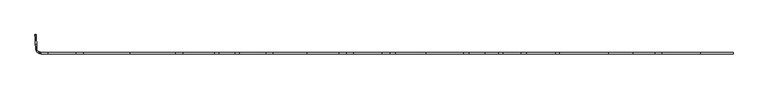
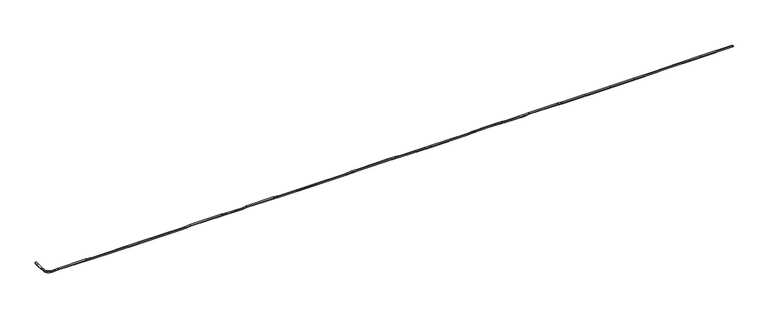
"""IFC4 building model written with IfcOpenShell, lengths in millimetres: wall geometry."""

from ifc_helpers import new_model, si_unit, origin, place, context, project, spatial, faceted_brep, source, transform, mapped, element, save


def wall_aa33760a(model_context):
    return source(origin(), model_context, "Body", "Brep", [
        faceted_brep([(-66707.9819675, -42185.3577501, -2887.3753072), (-66957.6328262, -42198.5465353, -2886.6648918), (-66955.2165918, -42233.6787889, -2689.7895846), (-66705.565733, -42220.4900037, -2690.5), (-66675.3027502, -42809.9689898, -2999.2377922), (-66924.9560993, -42823.1101741, -2998.5188519), (-66923.2300352, -42845.0509211, -2799.2810597), (-66673.576686, -42831.9097368, -2800.0), (-66608.0834928, -44094.7581344, -3054.5733849), (-66857.7426964, -44107.7874207, -3053.8496252), (-66857.6390518, -44098.718199, -2853.2762403), (-66607.9798482, -44085.6889127, -2854.0), (-66576.6245172, -44696.0463955, -2973.9075892), (-66826.2837997, -44709.0741735, -2973.1840318), (-66826.202024, -44699.5869641, -2772.666722), (-66576.5427415, -44686.5591861, -2773.3902794), (-66554.2898176, -45122.9386399, -2990.4991512), (-66801.9946144, -45173.3233019, -2991.2275037), (-66801.2153205, -45177.1680424, -2791.2283525), (-66553.5105237, -45126.7833804, -2790.5), (-66477.7072706, -45333.3474584, -2990.4991512), (-66701.372525, -45449.7802202, -2991.2275037), (-66701.8938301, -45450.0515945, -2791.2283525), (-66478.2285756, -45333.6188327, -2790.5), (-66322.0057478, -45555.7122778, -2990.4991512), (-66495.0033161, -45744.5059947, -2991.2275037), (-66495.406528, -45744.9460233, -2791.2283525), (-66322.4089598, -45556.1523064, -2790.5), (-66104.23732, -45681.4409383, -2990.4991512), (-66200.7333086, -45914.4028627, -2991.2275037), (-66200.9582154, -45914.9458359, -2791.2283525), (-66104.4622268, -45681.9839114, -2790.5), (-65760.2222672, -45773.6194938, -2990.4991512), (-65793.1312923, -46023.6194938, -2991.2275037), (-65795.3826025, -46023.6194938, -2791.2283525), (-65762.4735775, -45773.6194938, -2790.5), (-64404.647495, -45773.6194938, -2960.4971618), (-64404.647495, -46023.6194938, -2960.4971618), (-58676.5278441, -46023.6194938, -2953.1505782), (-57303.6620911, -46023.6194938, -3056.9890681), (-47969.1787566, -46023.6194938, -3070.5000956), (-38877.508149, -46023.6194938, -3064.4947601), (-37455.2588547, -46023.6194938, -2951.4900067), (-31164.9930395, -46023.6194938, -2943.5658344), (-30216.3092074, -46023.6194938, -3031.5644435), (-26967.5696795, -46023.6194938, -3023.7691834), (-26176.0657301, -46023.6194938, -2944.0124242), (-20742.6964563, -46023.6194938, -2940.5045146), (-19372.5057386, -46023.6194938, -3036.434016), (-12608.9916308, -46023.6194938, -3022.4998675), (-6174.2781877, -46023.6194938, -3018.3600805), (-4801.9241598, -46023.6194938, -2933.8148836), (-4807.9673572, -46023.6194938, -2733.8080105), (-6180.4972238, -46023.6194938, -2818.3640402), (-12609.261985, -46023.6194938, -2822.5), (-19365.718893, -46023.6194938, -2836.4196094), (-20735.7683201, -46023.6194938, -2740.5), (-26186.1812876, -46023.6194938, -2744.0189133), (-26977.8601651, -46023.6194938, -2823.7932994), (-30207.2926584, -46023.6194938, -2831.5422328), (-31155.8627532, -46023.6194938, -2743.5541738), (-37463.3176232, -46023.6194938, -2751.5), (-38885.5070921, -46023.6194938, -2864.5), (-47969.1000666, -46023.6194938, -2870.5), (-57295.9647149, -46023.6194938, -2857.0), (-58669.1030754, -46023.6194938, -2753.1408911), (-64406.9886922, -46023.6194938, -2760.5), (-64406.9886922, -45773.6194938, -2760.5), (-58669.1030754, -45773.6194938, -2753.1408911), (-57295.9647149, -45773.6194938, -2857.0), (-47969.1000666, -45773.6194938, -2870.5), (-38885.5070921, -45773.6194938, -2864.5), (-37463.3176232, -45773.6194938, -2751.5), (-31155.8627532, -45773.6194938, -2743.5541738), (-30207.2926584, -45773.6194938, -2831.5422328), (-26977.8601651, -45773.6194938, -2823.7932994), (-26186.1812876, -45773.6194938, -2744.0189133), (-20735.7683201, -45773.6194938, -2740.5), (-19365.718893, -45773.6194938, -2836.4196094), (-12609.261985, -45773.6194938, -2822.5), (-6180.4972238, -45773.6194938, -2818.3640402), (-4808.0042594, -45773.6194938, -2733.8102839), (-4801.961062, -45773.6194938, -2933.817157), (-6174.2781877, -45773.6194938, -3018.3600805), (-12608.9916308, -45773.6194938, -3022.4998675), (-19372.5057386, -45773.6194938, -3036.434016), (-20742.6964563, -45773.6194938, -2940.5045146), (-26176.0657301, -45773.6194938, -2944.0124242), (-26967.5696795, -45773.6194938, -3023.7691834), (-30216.3092074, -45773.6194938, -3031.5644435), (-31164.9930395, -45773.6194938, -2943.5658344), (-37455.2588547, -45773.6194938, -2951.4900067), (-38877.508149, -45773.6194938, -3064.4947601), (-47969.1787566, -45773.6194938, -3070.5000956), (-57303.6620911, -45773.6194938, -3056.9890681), (-58676.5278441, -45773.6194938, -2953.1505782), (-3404.1580157, -45773.2064607, -2935.3780708), (-3404.0841454, -46023.2064498, -2935.3758387), (2462.8162524, -46021.4726652, -2920.6853187), (4059.0159358, -46021.0011905, -2942.8578645), (5072.4482721, -46020.7025061, -3030.4659331), (11161.2952953, -46018.9034687, -3052.9325423), (18696.0157833, -46016.6768571, -3039.288429), (19669.0211641, -46016.3884992, -2945.4977679), (22868.5289839, -46015.4430532, -2945.4977679), (25553.7014224, -46014.6496364, -2950.4780398), (26540.950756, -46014.3588471, -3055.7924795), (30113.8273307, -46013.303069, -3055.4971039), (31170.3407715, -46012.9901133, -2970.5107349), (36968.1882778, -46011.2769485, -2979.8717888), (37777.4712458, -46011.0384003, -3046.258493), (47580.9451826, -46008.1416117, -3058.7821512), (52495.0073803, -46006.6893945, -3044.7852024), (56909.9614449, -46005.3849034, -3057.7776417), (58260.3305255, -46004.984915, -2950.4817884), (65966.7929126, -46002.7075373, -2934.9581828), (72507.5133268, -46000.7747321, -2930.4977214), (72507.3769358, -46000.7729867, -2730.4977679), (65966.5232809, -46002.7058313, -2734.9583202), (58252.1962475, -46004.9855331, -2750.4977681), (56902.3221139, -46005.3853749, -2857.7542945), (52495.0168277, -46006.687606, -2844.7843642), (47580.7880951, -46008.1398725, -2858.7817873), (37785.7881713, -46011.034157, -2846.2689544), (36976.538855, -46011.2726953, -2779.8850108), (31162.470904, -46012.9906531, -2770.4977677), (30105.7880071, -46013.303659, -2855.4977679), (26551.5797959, -46014.3539206, -2855.7916001), (25564.5236452, -46014.6446529, -2750.4977681), (22868.7144563, -46015.4412127, -2745.4977679), (19659.4041773, -46016.3895553, -2745.4977679), (18686.21814, -46016.6779667, -2839.305843), (11161.4831905, -46018.9016275, -2852.9318741), (5081.4451311, -46020.6980622, -2830.4977682), (4069.0305482, -46020.9964465, -2742.9776813), (2463.9548819, -46021.470543, -2720.6818407), (-3404.2228732, -46023.2047051, -2735.375559), (-3404.2967435, -45773.204716, -2735.3777912), (2463.8809973, -45771.470554, -2720.6840728), (4068.9565645, -45770.9964575, -2742.979912), (5081.3711589, -45770.6980731, -2830.5), (11161.4093165, -45768.9016384, -2852.9341063), (18686.1443775, -45766.6779776, -2839.3080749), (19659.3304128, -45766.3895662, -2745.5), (22868.6405824, -45765.4412236, -2745.5), (25564.4496526, -45764.6446639, -2750.5), (26551.5058054, -45764.3539316, -2855.7938322), (30105.714225, -45763.3036698, -2855.5), (31162.39712, -45762.990664, -2770.5), (36976.4648899, -45761.2727063, -2779.8872427), (37785.7142067, -45761.034168, -2846.2711864), (47580.714225, -45758.1398834, -2858.7840194), (52494.9429557, -45756.687617, -2844.7865963), (56902.2483273, -45755.3853858, -2857.7565269), (58252.1224664, -45754.985544, -2750.5), (65966.4494121, -45752.7058422, -2734.9605523), (72507.3030655, -45750.7729976, -2730.5), (72507.4394565, -45750.774743, -2930.4999535), (65966.7190438, -45752.7075483, -2934.9604149), (58260.2567444, -45754.9849259, -2950.4840204), (56909.8876583, -45755.3849143, -3057.7798741), (52494.9335083, -45756.6894054, -3044.7874345), (47580.8713126, -45758.1416227, -3058.7843833), (37777.3972812, -45761.0384112, -3046.260725), (36968.1143128, -45761.2769594, -2979.8740208), (31170.2669875, -45762.9901242, -2970.5129672), (30113.7535485, -45763.3030799, -3055.499336), (26540.8767656, -45764.3588581, -3055.7947116), (25553.6274298, -45764.6496474, -2950.4802717), (22868.45511, -45765.4430641, -2945.5), (19668.9473996, -45766.3885101, -2945.5), (18695.9420208, -45766.676868, -3039.290661), (11161.2214214, -45768.9034796, -3052.9347744), (5072.3742999, -45770.7025171, -3030.4681649), (4058.9419522, -45771.0012014, -2942.8600953), (2462.7423678, -45771.4726762, -2920.6875509)], [[[0, 1, 2, 3]], [[1, 0, 4, 5]], [[2, 1, 5, 6]], [[3, 2, 6, 7]], [[0, 3, 7, 4]], [[5, 4, 8, 9]], [[6, 5, 9, 10]], [[7, 6, 10, 11]], [[4, 7, 11, 8]], [[9, 8, 12, 13]], [[10, 9, 13, 14]], [[11, 10, 14, 15]], [[8, 11, 15, 12]], [[13, 12, 16, 17]], [[14, 13, 17, 18]], [[15, 14, 18, 19]], [[12, 15, 19, 16]], [[17, 16, 20, 21]], [[18, 17, 21, 22]], [[19, 18, 22, 23]], [[16, 19, 23, 20]], [[21, 20, 24, 25]], [[22, 21, 25, 26]], [[23, 22, 26, 27]], [[20, 23, 27, 24]], [[25, 24, 28, 29]], [[26, 25, 29, 30]], [[27, 26, 30, 31]], [[24, 27, 31, 28]], [[29, 28, 32, 33]], [[30, 29, 33, 34]], [[31, 30, 34, 35]], [[28, 31, 35, 32]], [[33, 32, 36, 37]], [[34, 33, 37, 38, 39, 40, 41, 42, 43, 44, 45, 46, 47, 48, 49, 50, 51, 52, 53, 54, 55, 56, 57, 58, 59, 60, 61, 62, 63, 64, 65, 66]], [[35, 34, 66, 67]], [[32, 35, 67, 68, 69, 70, 71, 72, 73, 74, 75, 76, 77, 78, 79, 80, 81, 82, 83, 84, 85, 86, 87, 88, 89, 90, 91, 92, 93, 94, 95, 36]], [[37, 36, 95, 38]], [[67, 66, 65, 68]], [[38, 95, 94, 39]], [[68, 65, 64, 69]], [[39, 94, 93, 40]], [[69, 64, 63, 70]], [[40, 93, 92, 41]], [[70, 63, 62, 71]], [[41, 92, 91, 42]], [[71, 62, 61, 72]], [[42, 91, 90, 43]], [[72, 61, 60, 73]], [[43, 90, 89, 44]], [[73, 60, 59, 74]], [[44, 89, 88, 45]], [[74, 59, 58, 75]], [[45, 88, 87, 46]], [[75, 58, 57, 76]], [[46, 87, 86, 47]], [[76, 57, 56, 77]], [[47, 86, 85, 48]], [[77, 56, 55, 78]], [[48, 85, 84, 49]], [[78, 55, 54, 79]], [[49, 84, 83, 50]], [[79, 54, 53, 80]], [[50, 83, 82, 51]], [[80, 53, 52, 81]], [[51, 82, 96, 97]], [[52, 51, 97, 98, 99, 100, 101, 102, 103, 104, 105, 106, 107, 108, 109, 110, 111, 112, 113, 114, 115, 116, 117, 118, 119, 120, 121, 122, 123, 124, 125, 126, 127, 128, 129, 130, 131, 132, 133, 134, 135, 136]], [[81, 52, 136, 137]], [[82, 81, 137, 138, 139, 140, 141, 142, 143, 144, 145, 146, 147, 148, 149, 150, 151, 152, 153, 154, 155, 156, 157, 158, 159, 160, 161, 162, 163, 164, 165, 166, 167, 168, 169, 170, 171, 172, 173, 174, 175, 96]], [[97, 96, 175, 98]], [[137, 136, 135, 138]], [[98, 175, 174, 99]], [[138, 135, 134, 139]], [[99, 174, 173, 100]], [[139, 134, 133, 140]], [[100, 173, 172, 101]], [[140, 133, 132, 141]], [[101, 172, 171, 102]], [[141, 132, 131, 142]], [[102, 171, 170, 103]], [[142, 131, 130, 143]], [[103, 170, 169, 104]], [[143, 130, 129, 144]], [[104, 169, 168, 105]], [[144, 129, 128, 145]], [[105, 168, 167, 106]], [[145, 128, 127, 146]], [[106, 167, 166, 107]], [[146, 127, 126, 147]], [[107, 166, 165, 108]], [[147, 126, 125, 148]], [[108, 165, 164, 109]], [[148, 125, 124, 149]], [[109, 164, 163, 110]], [[149, 124, 123, 150]], [[110, 163, 162, 111]], [[150, 123, 122, 151]], [[111, 162, 161, 112]], [[151, 122, 121, 152]], [[112, 161, 160, 113]], [[152, 121, 120, 153]], [[113, 160, 159, 114]], [[153, 120, 119, 154]], [[114, 159, 158, 115]], [[154, 119, 118, 155]], [[157, 156, 117, 116]], [[115, 158, 157, 116]], [[155, 118, 117, 156]]]),
    ])


if __name__ == "__main__":
    model = new_model("IFC4")
    model_context = context("Model", 3, world=origin())
    ifc_project = project(units=[si_unit("LENGTHUNIT", "METRE", prefix="MILLI")], contexts=[model_context])
    site = spatial("IfcSite", under=ifc_project)
    building = spatial("IfcBuilding", under=site)
    placement = place(None, origin())
    wall_shape = wall_aa33760a(model_context)
    element("IfcWall", 1, at=placement, inside=building, context=model_context, shape_type="MappedRepresentation", body=[
        mapped(wall_shape, transform((0.0, 0.0, 0.0), x_axis=(1.0, 0.0, 0.0), y_axis=(0.0, 1.0, 0.0), z_axis=(0.0, 0.0, 1.0))),
    ])
    save(model, "model.ifc")
